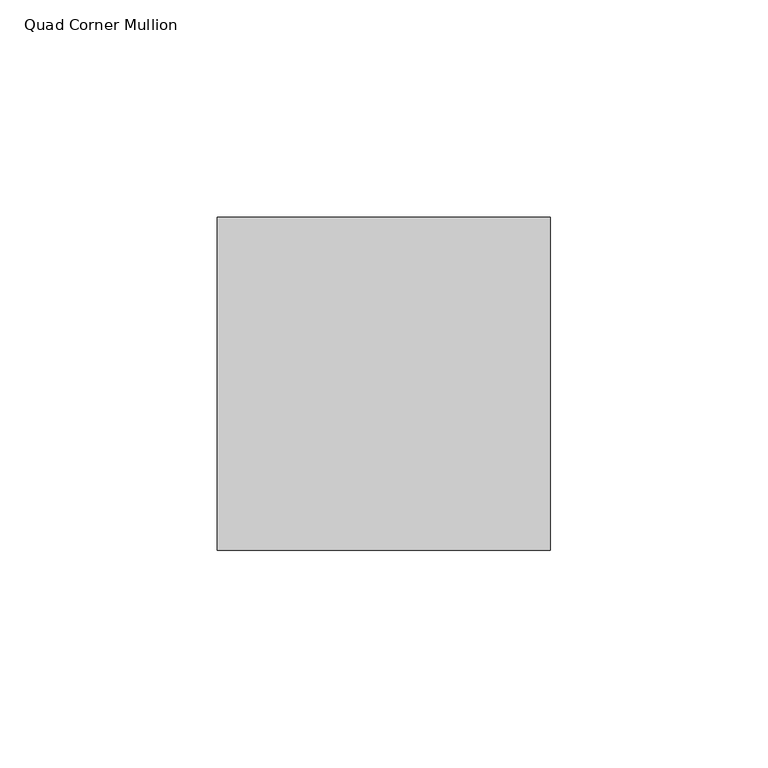
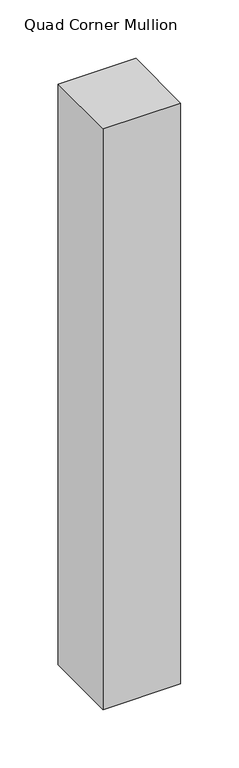
"""IFC4 building model written with IfcOpenShell, lengths in millimetres: member geometry, Quad Corner Mullion."""

from ifc_helpers import new_model, si_unit, frame, origin, place, context, project, spatial, polyline, outline, extrude, source, transform, mapped, element, save


def quad_corner_mullion_5bc265a9(model_context):
    return source(origin(), model_context, "Body", "SweptSolid", [
        extrude(outline(polyline([(38.1496094, -38.5464844), (-38.5464844, -38.5464844), (-38.5464844, 38.1496094), (38.1496094, 38.1496094), (38.1496094, -38.5464844)])), frame((0.0, 0.0, -606.4249623), z_axis=(0.0, 0.0, 1.0), x_axis=(1.0, 0.0, 0.0)), (0.0, 0.0, 1.0), 606.4249623),
    ])


if __name__ == "__main__":
    model = new_model("IFC4")
    model_context = context("Model", 3, world=origin())
    ifc_project = project(units=[si_unit("LENGTHUNIT", "METRE", prefix="MILLI")], contexts=[model_context])
    site = spatial("IfcSite", under=ifc_project)
    building = spatial("IfcBuilding", under=site)
    placement = place(None, origin())
    quad_corner_mullion_shape = quad_corner_mullion_5bc265a9(model_context)
    element("IfcMember", 1, ObjectType="Quad Corner Mullion", at=placement, inside=building, context=model_context, shape_type="MappedRepresentation", body=[
        mapped(quad_corner_mullion_shape, transform((0.0, 0.0, 0.0), x_axis=(1.0, 0.0, 0.0), y_axis=(0.0, 1.0, 0.0), z_axis=(0.0, 0.0, 1.0))),
    ])
    save(model, "model.ifc")
